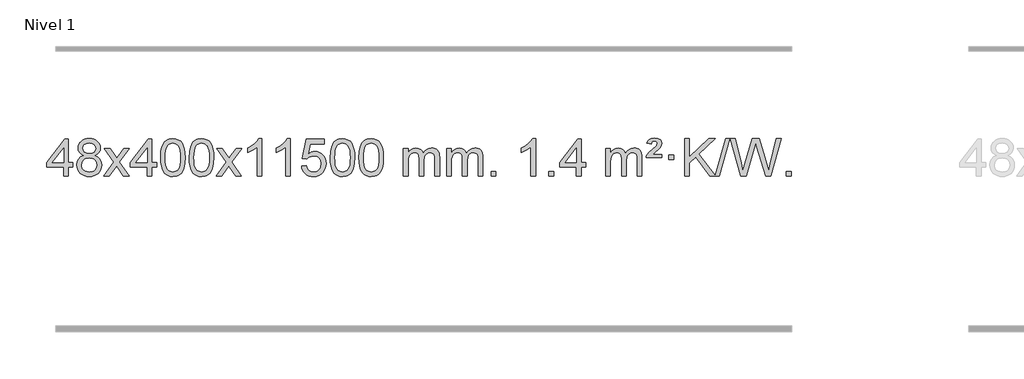
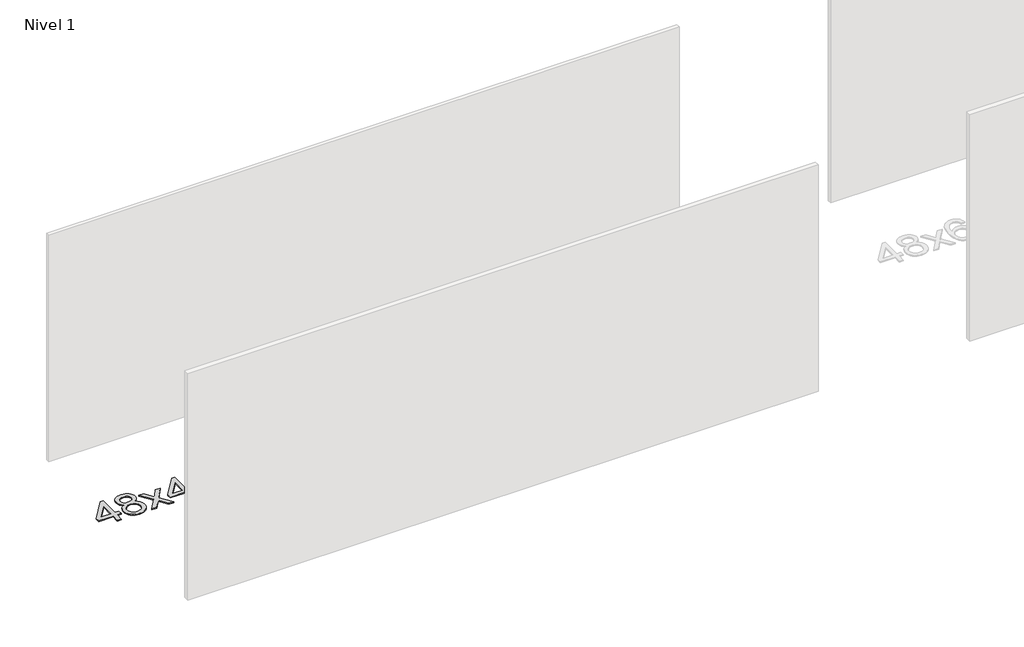
# One storey, part 4 of 10: 1 proxy.
"""IFC4 building model written with IfcOpenShell, lengths in millimetres."""

from ifc_helpers import new_model, si_unit, origin, origin_with_axes, place, context, project, spatial, polyline, outline, extrude, element, save

model = new_model("IFC4")

# Units and contexts
model_context = context("Model", 3, world=origin())
ifc_project = project(units=[si_unit("LENGTHUNIT", "METRE", prefix="MILLI")], contexts=[model_context])

# Site, building, storey
site = spatial("IfcSite", under=ifc_project)
building = spatial("IfcBuilding", under=site)
storey = spatial("IfcBuildingStorey", under=building, Name="Nivel 1", Elevation=0.0)

# Proxy
placement = place(None, origin())
element("IfcBuildingElementProxy", 1, Name="Texto de modelo 1", ObjectType="Texto de modelo 1", at=placement, inside=storey, context=model_context, shape_type="SweptSolid", body=[
    extrude(outline(polyline([(-11546.7519314, -391.579453), (-11546.7519314, -297.4016622), (-11728.8289935, -297.4016622), (-11728.8289935, -247.1735072), (-11534.1948926, 3.9672682), (-11496.5237763, 3.9672682), (-11496.5237763, -247.1735072), (-11446.2956212, -247.1735072), (-11446.2956212, -297.4016622), (-11496.5237763, -297.4016622), (-11496.5237763, -391.579453), (-11546.7519314, -391.579453)]), holes=[polyline([(-11546.7519314, -247.1735072), (-11546.7519314, -91.9763561), (-11667.0248183, -247.1735072), (-11546.7519314, -247.1735072)])]), origin_with_axes(), (0.0, 0.0, 1.0), 10.0),
    extrude(outline(polyline([(-11329.161994, -170.2616447), (-11356.0541678, -157.0178929), (-11374.9265142, -139.0652515), (-11386.0733386, -116.7716026), (-11389.7889468, -90.5048281), (-11387.7655958, -70.0199324), (-11381.6955429, -51.2395565), (-11371.578788, -34.1637006), (-11357.4153312, -18.7923645), (-11339.8857541, -6.088173), (-11319.6706385, 2.9862496), (-11296.7699843, 8.4309031), (-11271.1837915, 10.2457876), (-11245.4749714, 8.3879835), (-11222.402639, 2.8145713), (-11201.9667941, -6.4744491), (-11184.1674369, -19.4790776), (-11169.7464627, -35.1508506), (-11159.4457669, -52.4413044), (-11153.2653493, -71.3504389), (-11151.2052102, -91.8782543), (-11154.8717674, -117.2989001), (-11165.871439, -139.2124043), (-11184.3268525, -157.0546811), (-11210.360635, -170.2616447), (-11179.4462847, -186.1909351), (-11156.9441693, -209.6495436), (-11143.2221709, -239.5092989), (-11138.6481714, -274.6420295), (-11140.916777, -299.6947933), (-11147.722594, -322.6628926), (-11159.0656221, -343.5463272), (-11174.9458616, -362.3450971), (-11194.5294465, -377.88198), (-11216.9825109, -388.9797536), (-11242.3050549, -395.6384177), (-11270.4970785, -397.8579724), (-11298.689102, -395.6292206), (-11324.011646, -388.9429654), (-11346.4647105, -377.7992066), (-11366.0482954, -362.1979443), (-11381.9285348, -343.26735), (-11393.271563, -322.135595), (-11400.0773799, -298.8026795), (-11402.3459855, -273.2686033), (-11397.5880451, -236.7747094), (-11383.3142237, -206.7555386), (-11360.2602853, -184.2411605), (-11329.161994, -170.2616447)]), holes=[polyline([(-11339.5607917, -91.9763561), (-11335.1094196, -113.902123), (-11321.7553031, -131.413306), (-11299.8908499, -142.8912243), (-11269.9084673, -146.717197), (-11240.6250605, -142.9157497), (-11219.091701, -131.5114079), (-11205.8479492, -114.5888361), (-11201.4333652, -94.232699), (-11205.995102, -73.1040098), (-11219.6803122, -55.629615), (-11241.5079773, -43.8941794), (-11270.4970785, -39.9823675), (-11299.6701207, -43.8083402), (-11321.4609975, -55.2862585), (-11335.0358432, -72.1107284), (-11339.5607917, -91.9763561)]), polyline([(-11352.1178305, -271.5027698), (-11350.0209031, -290.7184726), (-11343.730121, -309.3210389), (-11332.1173127, -325.5446349), (-11314.0543067, -337.623427), (-11292.4228454, -345.1282197), (-11270.104671, -347.6298173), (-11235.9161709, -342.3691048), (-11222.0224942, -335.7932141), (-11210.2625331, -326.5869672), (-11194.2228781, -302.6869002), (-11188.8763265, -273.0723996), (-11194.3945564, -242.9551269), (-11210.9492462, -218.5277625), (-11223.0280384, -209.0854579), (-11237.1914952, -202.3409547), (-11271.7724027, -196.9453521), (-11305.4826562, -202.2673783), (-11319.2199831, -208.919911), (-11330.8787766, -218.2334569), (-11346.808067, -242.1948375), (-11352.1178305, -271.5027698)])]), origin_with_axes(), (0.0, 0.0, 1.0), 10.0),
    extrude(outline(polyline([(-11113.5340939, -391.579453), (-11006.2106531, -243.2494325), (-11107.2555745, -96.4890419), (-11046.8248254, -96.4890419), (-10998.0681983, -167.122385), (-10975.3085655, -200.4770192), (-10955.5900906, -173.2047007), (-10900.0644348, -96.4890419), (-10839.6336857, -96.4890419), (-10945.7799041, -243.2494325), (-10843.5577603, -391.579453), (-10903.9885094, -391.579453), (-10965.498379, -302.4048574), (-10976.7800935, -286.1199477), (-11053.1033448, -391.579453), (-11113.5340939, -391.579453)])), origin_with_axes(), (0.0, 0.0, 1.0), 10.0),
    extrude(outline(polyline([(-10648.9236594, -391.579453), (-10648.9236594, -297.4016622), (-10831.0007216, -297.4016622), (-10831.0007216, -247.1735072), (-10636.3666207, 3.9672682), (-10598.6955043, 3.9672682), (-10598.6955043, -247.1735072), (-10548.4673493, -247.1735072), (-10548.4673493, -297.4016622), (-10598.6955043, -297.4016622), (-10598.6955043, -391.579453), (-10648.9236594, -391.579453)]), holes=[polyline([(-10648.9236594, -247.1735072), (-10648.9236594, -91.9763561), (-10769.1965464, -247.1735072), (-10648.9236594, -247.1735072)])]), origin_with_axes(), (0.0, 0.0, 1.0), 10.0),
    extrude(outline(polyline([(-10504.5177136, -193.9041943), (-10500.8266309, -129.5861588), (-10489.7533828, -78.2911459), (-10471.408334, -39.2343407), (-10459.550271, -24.0009605), (-10445.901849, -11.6309284), (-10430.4170827, -2.0598651), (-10413.0499869, 4.7766086), (-10372.6688065, 10.2457876), (-10341.717668, 7.008426), (-10314.003891, -2.7036586), (-10290.8273253, -18.5103217), (-10273.4878206, -40.0314184), (-10260.3912216, -67.0830078), (-10249.9433729, -99.4811488), (-10243.1007678, -140.6226186), (-10240.8198994, -193.9041943), (-10244.4741939, -257.8543477), (-10255.4370774, -309.0267333), (-10273.6717616, -348.1203266), (-10285.5022334, -363.3996922), (-10299.1414584, -375.8341036), (-10314.6446188, -385.4695462), (-10332.066897, -392.3520052), (-10372.6688065, -397.8579724), (-10400.3335326, -395.4667394), (-10424.8589989, -388.2930405), (-10446.2452055, -376.3368757), (-10464.4921525, -359.5982449), (-10482.0033355, -329.3399508), (-10494.5113233, -291.6381776), (-10502.016116, -246.4929255), (-10504.5177136, -193.9041943)]), holes=[polyline([(-10454.2895585, -193.8060924), (-10452.8180305, -237.4706195), (-10448.4034466, -272.8148822), (-10441.0458067, -299.8388804), (-10430.7451108, -318.5426142), (-10418.2861739, -331.2682656), (-10404.4538109, -340.3580165), (-10389.2480218, -345.8118671), (-10372.6688065, -347.6298173), (-10356.0895913, -345.8057357), (-10340.8838021, -340.3334911), (-10327.0514391, -331.2130833), (-10314.5925022, -318.4445124), (-10304.2918063, -299.7101217), (-10296.9341664, -272.6922549), (-10292.5195825, -237.3909118), (-10291.0480545, -193.8060924), (-10292.4705316, -151.2973278), (-10296.7379627, -116.5753989), (-10303.8503479, -89.6403055), (-10313.8076873, -70.4920476), (-10326.0581577, -57.1440625), (-10340.0499363, -47.6097875), (-10355.7830229, -41.8892225), (-10373.2574177, -39.9823675), (-10389.7507938, -41.6623619), (-10404.6990656, -46.7023452), (-10418.1022329, -55.1023175), (-10429.9602959, -66.8622786), (-10440.6043483, -87.708925), (-10448.2072429, -115.8151094), (-10452.7689796, -151.1808319), (-10454.2895585, -193.8060924)])]), origin_with_axes(), (0.0, 0.0, 1.0), 10.0),
    extrude(outline(polyline([(-10196.8702638, -193.9041943), (-10193.1791811, -129.5861588), (-10182.105933, -78.2911459), (-10163.7608842, -39.2343407), (-10151.9028212, -24.0009605), (-10138.2543992, -11.6309284), (-10122.7696329, -2.0598651), (-10105.402537, 4.7766086), (-10065.0213567, 10.2457876), (-10034.0702182, 7.008426), (-10006.3564412, -2.7036586), (-9983.1798755, -18.5103217), (-9965.8403708, -40.0314184), (-9952.7437718, -67.0830078), (-9942.2959231, -99.4811488), (-9935.453318, -140.6226186), (-9933.1724496, -193.9041943), (-9936.8267441, -257.8543477), (-9947.7896275, -309.0267333), (-9966.0243118, -348.1203266), (-9977.8547836, -363.3996922), (-9991.4940086, -375.8341036), (-10006.997169, -385.4695462), (-10024.4194471, -392.3520052), (-10065.0213567, -397.8579724), (-10092.6860827, -395.4667394), (-10117.2115491, -388.2930405), (-10138.5977557, -376.3368757), (-10156.8447027, -359.5982449), (-10174.3558856, -329.3399508), (-10186.8638735, -291.6381776), (-10194.3686662, -246.4929255), (-10196.8702638, -193.9041943)]), holes=[polyline([(-10146.6421087, -193.8060924), (-10145.1705807, -237.4706195), (-10140.7559968, -272.8148822), (-10133.3983568, -299.8388804), (-10123.097661, -318.5426142), (-10110.6387241, -331.2682656), (-10096.8063611, -340.3580165), (-10081.6005719, -345.8118671), (-10065.0213567, -347.6298173), (-10048.4421414, -345.8057357), (-10033.2363523, -340.3334911), (-10019.4039893, -331.2130833), (-10006.9450524, -318.4445124), (-9996.6443565, -299.7101217), (-9989.2867166, -272.6922549), (-9984.8721327, -237.3909118), (-9983.4006047, -193.8060924), (-9984.8230817, -151.2973278), (-9989.0905129, -116.5753989), (-9996.2028981, -89.6403055), (-10006.1602375, -70.4920476), (-10018.4107079, -57.1440625), (-10032.4024864, -47.6097875), (-10048.1355731, -41.8892225), (-10065.6099679, -39.9823675), (-10082.103344, -41.6623619), (-10097.0516157, -46.7023452), (-10110.4547831, -55.1023175), (-10122.3128461, -66.8622786), (-10132.9568985, -87.708925), (-10140.559793, -115.8151094), (-10145.1215298, -151.1808319), (-10146.6421087, -193.8060924)])]), origin_with_axes(), (0.0, 0.0, 1.0), 10.0),
    extrude(outline(polyline([(-9908.0583721, -391.579453), (-9800.7349313, -243.2494325), (-9901.7798527, -96.4890419), (-9841.3491036, -96.4890419), (-9792.5924765, -167.122385), (-9769.8328437, -200.4770192), (-9750.1143688, -173.2047007), (-9694.588713, -96.4890419), (-9634.1579639, -96.4890419), (-9740.3041823, -243.2494325), (-9638.0820385, -391.579453), (-9698.5127876, -391.579453), (-9760.0226572, -302.4048574), (-9771.3043717, -286.1199477), (-9847.627623, -391.579453), (-9908.0583721, -391.579453)])), origin_with_axes(), (0.0, 0.0, 1.0), 10.0),
    extrude(outline(polyline([(-9418.3338601, -391.579453), (-9468.5620152, -391.579453), (-9468.5620152, -78.4382987), (-9489.5312889, -95.3976587), (-9516.1414199, -112.3324932), (-9569.0183253, -137.6918254), (-9569.0183253, -90.2105225), (-9529.5691127, -68.7507395), (-9495.3928753, -43.219729), (-9468.4516506, -16.0700378), (-9450.7074757, 10.2457876), (-9418.3338601, 10.2457876), (-9418.3338601, -391.579453)])), origin_with_axes(), (0.0, 0.0, 1.0), 10.0),
    extrude(outline(polyline([(-9110.6864103, -391.579453), (-9160.9145653, -391.579453), (-9160.9145653, -78.4382987), (-9181.8838391, -95.3976587), (-9208.49397, -112.3324932), (-9261.3708755, -137.6918254), (-9261.3708755, -90.2105225), (-9221.9216629, -68.7507395), (-9187.7454255, -43.219729), (-9160.8042007, -16.0700378), (-9143.0600258, 10.2457876), (-9110.6864103, 10.2457876), (-9110.6864103, -391.579453)])), origin_with_axes(), (0.0, 0.0, 1.0), 10.0),
    extrude(outline(polyline([(-8991.394542, -284.8446235), (-8941.1663869, -278.5661041), (-8931.9448115, -308.7201649), (-8915.8561056, -330.3148381), (-8892.9738455, -343.3010725), (-8863.3716076, -347.6298173), (-8844.2417439, -346.1245668), (-8827.368223, -341.6088153), (-8812.7510451, -334.0825628), (-8800.3902101, -323.5458094), (-8790.5616294, -310.519721), (-8783.5412147, -295.5254641), (-8777.9248829, -259.6324441), (-8783.1855954, -225.8363514), (-8789.7614861, -211.9181493), (-8798.967733, -199.9865099), (-8810.834993, -190.4154467), (-8825.393923, -183.5789729), (-8862.5867927, -178.1097939), (-8886.9528435, -180.2925604), (-8906.6835812, -186.8408599), (-8922.4411933, -196.8717757), (-8934.8878675, -209.5023908), (-8985.1160226, -203.2238715), (-8941.1663869, 3.9672682), (-8746.532286, 3.9672682), (-8746.532286, -46.2608869), (-8900.5522146, -46.2608869), (-8922.0365231, -156.919791), (-8904.3107423, -144.2155994), (-8886.1557659, -135.1411769), (-8867.5715937, -129.6965234), (-8848.558226, -127.8816388), (-8824.097139, -130.1318504), (-8801.6287461, -136.882485), (-8781.1530474, -148.1335427), (-8762.6700428, -163.8850234), (-8747.3692175, -183.1743027), (-8736.4400566, -205.038756), (-8729.88256, -229.4783832), (-8727.6967278, -256.4931844), (-8729.6648965, -282.5147042), (-8735.5694025, -306.7213394), (-8745.4102459, -329.1130902), (-8759.1874266, -349.6899565), (-8780.0585985, -370.7634634), (-8804.4123865, -385.8159684), (-8832.2487908, -394.8474714), (-8863.5678114, -397.8579724), (-8889.4881636, -395.9235262), (-8912.9007869, -390.1201877), (-8933.8056813, -380.447957), (-8952.2028467, -366.9068338), (-8967.5098034, -350.1712688), (-8979.1440715, -330.915712), (-8987.105651, -309.1401636), (-8991.394542, -284.8446235)])), origin_with_axes(), (0.0, 0.0, 1.0), 10.0),
    extrude(outline(polyline([(-8683.7470921, -193.9041943), (-8680.0560094, -129.5861588), (-8668.9827614, -78.2911459), (-8650.6377126, -39.2343407), (-8638.7796496, -24.0009605), (-8625.1312276, -11.6309284), (-8609.6464612, -2.0598651), (-8592.2793654, 4.7766086), (-8551.8981851, 10.2457876), (-8520.9470465, 7.008426), (-8493.2332696, -2.7036586), (-8470.0567039, -18.5103217), (-8452.7171992, -40.0314184), (-8439.6206001, -67.0830078), (-8429.1727515, -99.4811488), (-8422.3301463, -140.6226186), (-8420.049278, -193.9041943), (-8423.7035725, -257.8543477), (-8434.6664559, -309.0267333), (-8452.9011401, -348.1203266), (-8464.731612, -363.3996922), (-8478.3708369, -375.8341036), (-8493.8739974, -385.4695462), (-8511.2962755, -392.3520052), (-8551.8981851, -397.8579724), (-8579.5629111, -395.4667394), (-8604.0883774, -388.2930405), (-8625.4745841, -376.3368757), (-8643.721531, -359.5982449), (-8661.232714, -329.3399508), (-8673.7407019, -291.6381776), (-8681.2454946, -246.4929255), (-8683.7470921, -193.9041943)]), holes=[polyline([(-8633.518937, -193.8060924), (-8632.0474091, -237.4706195), (-8627.6328251, -272.8148822), (-8620.2751852, -299.8388804), (-8609.9744894, -318.5426142), (-8597.5155525, -331.2682656), (-8583.6831894, -340.3580165), (-8568.4774003, -345.8118671), (-8551.8981851, -347.6298173), (-8535.3189698, -345.8057357), (-8520.1131807, -340.3334911), (-8506.2808176, -331.2130833), (-8493.8218807, -318.4445124), (-8483.5211849, -299.7101217), (-8476.163545, -272.6922549), (-8471.748961, -237.3909118), (-8470.2774331, -193.8060924), (-8471.6999101, -151.2973278), (-8475.9673412, -116.5753989), (-8483.0797265, -89.6403055), (-8493.0370658, -70.4920476), (-8505.2875363, -57.1440625), (-8519.2793148, -47.6097875), (-8535.0124015, -41.8892225), (-8552.4867962, -39.9823675), (-8568.9801724, -41.6623619), (-8583.9284441, -46.7023452), (-8597.3316115, -55.1023175), (-8609.1896744, -66.8622786), (-8619.8337268, -87.708925), (-8627.4366214, -115.8151094), (-8631.9983581, -151.1808319), (-8633.518937, -193.8060924)])]), origin_with_axes(), (0.0, 0.0, 1.0), 10.0),
    extrude(outline(polyline([(-8376.0996423, -193.9041943), (-8372.4085596, -129.5861588), (-8361.3353115, -78.2911459), (-8342.9902627, -39.2343407), (-8331.1321997, -24.0009605), (-8317.4837777, -11.6309284), (-8301.9990114, -2.0598651), (-8284.6319156, 4.7766086), (-8244.2507352, 10.2457876), (-8213.2995967, 7.008426), (-8185.5858197, -2.7036586), (-8162.409254, -18.5103217), (-8145.0697493, -40.0314184), (-8131.9731503, -67.0830078), (-8121.5253016, -99.4811488), (-8114.6826965, -140.6226186), (-8112.4018281, -193.9041943), (-8116.0561226, -257.8543477), (-8127.0190061, -309.0267333), (-8145.2536903, -348.1203266), (-8157.0841621, -363.3996922), (-8170.7233871, -375.8341036), (-8186.2265475, -385.4695462), (-8203.6488257, -392.3520052), (-8244.2507352, -397.8579724), (-8271.9154613, -395.4667394), (-8296.4409276, -388.2930405), (-8317.8271343, -376.3368757), (-8336.0740812, -359.5982449), (-8353.5852642, -329.3399508), (-8366.093252, -291.6381776), (-8373.5980447, -246.4929255), (-8376.0996423, -193.9041943)]), holes=[polyline([(-8325.8714872, -193.8060924), (-8324.3999592, -237.4706195), (-8319.9853753, -272.8148822), (-8312.6277354, -299.8388804), (-8302.3270395, -318.5426142), (-8289.8681026, -331.2682656), (-8276.0357396, -340.3580165), (-8260.8299505, -345.8118671), (-8244.2507352, -347.6298173), (-8227.67152, -345.8057357), (-8212.4657308, -340.3334911), (-8198.6333678, -331.2130833), (-8186.1744309, -318.4445124), (-8175.873735, -299.7101217), (-8168.5160951, -272.6922549), (-8164.1015112, -237.3909118), (-8162.6299832, -193.8060924), (-8164.0524603, -151.2973278), (-8168.3198914, -116.5753989), (-8175.4322767, -89.6403055), (-8185.389616, -70.4920476), (-8197.6400864, -57.1440625), (-8211.631865, -47.6097875), (-8227.3649516, -41.8892225), (-8244.8393464, -39.9823675), (-8261.3327225, -41.6623619), (-8276.2809943, -46.7023452), (-8289.6841616, -55.1023175), (-8301.5422246, -66.8622786), (-8312.186277, -87.708925), (-8319.7891716, -115.8151094), (-8324.3509083, -151.1808319), (-8325.8714872, -193.8060924)])]), origin_with_axes(), (0.0, 0.0, 1.0), 10.0),
    extrude(outline(polyline([(-7898.9321691, -391.579453), (-7898.9321691, -96.4890419), (-7848.704014, -96.4890419), (-7848.704014, -145.0494653), (-7833.5963267, -122.7435537), (-7814.1721574, -105.2691589), (-7791.0936936, -93.9751816), (-7765.0231228, -90.2105225), (-7737.0886167, -94.048758), (-7714.6968659, -105.5634645), (-7697.9704978, -123.9943524), (-7687.0321399, -148.5811324), (-7668.7238792, -123.0439906), (-7647.8404446, -104.803175), (-7624.3818361, -93.8586857), (-7598.3480536, -90.2105225), (-7578.2402368, -91.7280358), (-7560.5910981, -96.2805755), (-7545.4006374, -103.8681416), (-7532.6688547, -114.4907342), (-7522.6042164, -128.2709806), (-7515.4151891, -145.3315082), (-7511.1017727, -165.6723168), (-7509.6639672, -189.2934066), (-7509.6639672, -391.579453), (-7559.8921223, -391.579453), (-7559.8921223, -210.875817), (-7561.057082, -185.8230531), (-7564.5519609, -168.9372695), (-7571.1002604, -157.3735121), (-7581.4254818, -148.2868268), (-7594.7060218, -142.4007149), (-7610.1202774, -140.4386776), (-7637.3312823, -145.4663982), (-7659.5145666, -160.54956), (-7668.1199396, -172.1194488), (-7674.2666346, -186.7182326), (-7679.1839906, -225.0024856), (-7679.1839906, -391.579453), (-7729.4121457, -391.579453), (-7729.4121457, -205.2840106), (-7732.3184135, -176.8835206), (-7741.0372167, -156.6254854), (-7756.3778959, -144.4853796), (-7779.1497914, -140.4386776), (-7798.5003844, -143.1364789), (-7816.3303984, -151.2298828), (-7831.0456782, -164.5226856), (-7841.0520685, -182.8186835), (-7846.7910276, -208.2025411), (-7848.704014, -242.7589232), (-7848.704014, -391.579453), (-7898.9321691, -391.579453)])), origin_with_axes(), (0.0, 0.0, 1.0), 10.0),
    extrude(outline(polyline([(-7434.3217346, -391.579453), (-7434.3217346, -96.4890419), (-7384.0935796, -96.4890419), (-7384.0935796, -145.0494653), (-7368.9858923, -122.7435537), (-7349.5617229, -105.2691589), (-7326.4832591, -93.9751816), (-7300.4126884, -90.2105225), (-7272.4781822, -94.048758), (-7250.0864315, -105.5634645), (-7233.3600634, -123.9943524), (-7222.4217054, -148.5811324), (-7204.1134448, -123.0439906), (-7183.2300102, -104.803175), (-7159.7714016, -93.8586857), (-7133.7376191, -90.2105225), (-7113.6298024, -91.7280358), (-7095.9806637, -96.2805755), (-7080.790203, -103.8681416), (-7068.0584202, -114.4907342), (-7057.993782, -128.2709806), (-7050.8047547, -145.3315082), (-7046.4913383, -165.6723168), (-7045.0535328, -189.2934066), (-7045.0535328, -391.579453), (-7095.2816879, -391.579453), (-7095.2816879, -210.875817), (-7096.4466475, -185.8230531), (-7099.9415265, -168.9372695), (-7106.489826, -157.3735121), (-7116.8150473, -148.2868268), (-7130.0955874, -142.4007149), (-7145.509843, -140.4386776), (-7172.7208479, -145.4663982), (-7194.9041322, -160.54956), (-7203.5095052, -172.1194488), (-7209.6562002, -186.7182326), (-7214.5735562, -225.0024856), (-7214.5735562, -391.579453), (-7264.8017113, -391.579453), (-7264.8017113, -205.2840106), (-7267.707979, -176.8835206), (-7276.4267823, -156.6254854), (-7291.7674615, -144.4853796), (-7314.539357, -140.4386776), (-7333.88995, -143.1364789), (-7351.719964, -151.2298828), (-7366.4352438, -164.5226856), (-7376.4416341, -182.8186835), (-7382.1805932, -208.2025411), (-7384.0935796, -242.7589232), (-7384.0935796, -391.579453), (-7434.3217346, -391.579453)])), origin_with_axes(), (0.0, 0.0, 1.0), 10.0),
    extrude(outline(polyline([(-6957.1542614, -391.579453), (-6957.1542614, -341.3512979), (-6906.9261064, -341.3512979), (-6906.9261064, -391.579453), (-6957.1542614, -391.579453)])), origin_with_axes(), (0.0, 0.0, 1.0), 10.0),
    extrude(outline(polyline([(-6479.9867882, -391.579453), (-6530.2149433, -391.579453), (-6530.2149433, -78.4382987), (-6551.184217, -95.3976587), (-6577.794348, -112.3324932), (-6630.6712534, -137.6918254), (-6630.6712534, -90.2105225), (-6591.2220408, -68.7507395), (-6557.0458035, -43.219729), (-6530.1045787, -16.0700378), (-6512.3604038, 10.2457876), (-6479.9867882, 10.2457876), (-6479.9867882, -391.579453)])), origin_with_axes(), (0.0, 0.0, 1.0), 10.0),
    extrude(outline(polyline([(-6335.5808424, -391.579453), (-6335.5808424, -341.3512979), (-6285.3526873, -341.3512979), (-6285.3526873, -391.579453), (-6335.5808424, -391.579453)])), origin_with_axes(), (0.0, 0.0, 1.0), 10.0),
    extrude(outline(polyline([(-6040.4904313, -391.579453), (-6040.4904313, -297.4016622), (-6222.5674935, -297.4016622), (-6222.5674935, -247.1735072), (-6027.9333925, 3.9672682), (-5990.2622762, 3.9672682), (-5990.2622762, -247.1735072), (-5940.0341212, -247.1735072), (-5940.0341212, -297.4016622), (-5990.2622762, -297.4016622), (-5990.2622762, -391.579453), (-6040.4904313, -391.579453)]), holes=[polyline([(-6040.4904313, -247.1735072), (-6040.4904313, -91.9763561), (-6160.7633183, -247.1735072), (-6040.4904313, -247.1735072)])]), origin_with_axes(), (0.0, 0.0, 1.0), 10.0),
    extrude(outline(polyline([(-5726.5644621, -391.579453), (-5726.5644621, -96.4890419), (-5676.336307, -96.4890419), (-5676.336307, -145.0494653), (-5661.2286197, -122.7435537), (-5641.8044504, -105.2691589), (-5618.7259866, -93.9751816), (-5592.6554158, -90.2105225), (-5564.7209097, -94.048758), (-5542.3291589, -105.5634645), (-5525.6027909, -123.9943524), (-5514.6644329, -148.5811324), (-5496.3561722, -123.0439906), (-5475.4727377, -104.803175), (-5452.0141291, -93.8586857), (-5425.9803466, -90.2105225), (-5405.8725298, -91.7280358), (-5388.2233911, -96.2805755), (-5373.0329304, -103.8681416), (-5360.3011477, -114.4907342), (-5350.2365094, -128.2709806), (-5343.0474821, -145.3315082), (-5338.7340657, -165.6723168), (-5337.2962603, -189.2934066), (-5337.2962603, -391.579453), (-5387.5244153, -391.579453), (-5387.5244153, -210.875817), (-5388.689375, -185.8230531), (-5392.1842539, -168.9372695), (-5398.7325535, -157.3735121), (-5409.0577748, -148.2868268), (-5422.3383148, -142.4007149), (-5437.7525704, -140.4386776), (-5464.9635753, -145.4663982), (-5487.1468596, -160.54956), (-5495.7522326, -172.1194488), (-5501.8989276, -186.7182326), (-5506.8162836, -225.0024856), (-5506.8162836, -391.579453), (-5557.0444387, -391.579453), (-5557.0444387, -205.2840106), (-5559.9507065, -176.8835206), (-5568.6695098, -156.6254854), (-5584.010189, -144.4853796), (-5606.7820845, -140.4386776), (-5626.1326774, -143.1364789), (-5643.9626914, -151.2298828), (-5658.6779713, -164.5226856), (-5668.6843615, -182.8186835), (-5674.4233206, -208.2025411), (-5676.336307, -242.7589232), (-5676.336307, -391.579453), (-5726.5644621, -391.579453)])), origin_with_axes(), (0.0, 0.0, 1.0), 10.0),
    extrude(outline(polyline([(-5293.3466246, -190.6668327), (-5289.5206518, -174.8479069), (-5281.1819933, -158.9799302), (-5259.6731593, -133.8413272), (-5227.7164766, -106.1030247), (-5183.5706372, -68.726214), (-5176.4337265, -57.1992448), (-5174.0547563, -45.3779701), (-5175.9432172, -33.2869152), (-5181.6085999, -23.5012541), (-5190.977328, -17.026531), (-5203.9758252, -14.8682899), (-5216.4102366, -16.4869707), (-5225.26393, -21.343013), (-5231.6896022, -30.8098431), (-5236.8399501, -46.2608869), (-5287.0681052, -39.9823675), (-5276.2278491, -14.7701881), (-5259.5995829, 2.7900458), (-5235.834406, 13.0907417), (-5203.5834178, 16.524307), (-5167.8007624, 12.3917659), (-5143.0545668, -0.0058573), (-5128.6335926, -18.3386434), (-5123.8266012, -40.2766731), (-5127.9223541, -63.1834586), (-5140.2096127, -84.8149199), (-5160.737428, -104.6314968), (-5197.2067965, -132.6886303), (-5222.8113834, -159.2742358), (-5123.8266012, -159.2742358), (-5123.8266012, -190.6668327), (-5293.3466246, -190.6668327)])), origin_with_axes(), (0.0, 0.0, 1.0), 10.0),
    extrude(outline(polyline([(-5048.4843686, -215.7809102), (-5048.4843686, -165.5527552), (-4998.2562135, -165.5527552), (-4998.2562135, -215.7809102), (-5048.4843686, -215.7809102)])), origin_with_axes(), (0.0, 0.0, 1.0), 10.0),
    extrude(outline(polyline([(-4607.6145856, -391.579453), (-4761.045903, -188.9009991), (-4828.7361901, -253.4520265), (-4828.7361901, -391.579453), (-4878.9643452, -391.579453), (-4878.9643452, 10.2457876), (-4828.7361901, 10.2457876), (-4828.7361901, -186.4484525), (-4622.7222728, 10.2457876), (-4552.4813372, 10.2457876), (-4725.4349259, -154.9577537), (-4550.781316, -385.5349332), (-4439.4679883, 10.2457876), (-4394.1449265, 10.2457876), (-4507.1582754, -391.579453), (-4546.2028178, -391.579453), (-4552.4813372, -391.579453), (-4607.6145856, -391.579453)])), origin_with_axes(), (0.0, 0.0, 1.0), 10.0),
    extrude(outline(polyline([(-4279.6600496, -391.579453), (-4389.2398332, 10.2457876), (-4337.4420483, 10.2457876), (-4273.8720395, -253.844434), (-4254.2516665, -335.3670841), (-4233.2578673, -263.2622131), (-4153.5991526, 10.2457876), (-4078.943633, 10.2457876), (-4021.0635325, -188.0180823), (-3996.268286, -261.5944814), (-3977.9968136, -335.3670841), (-3958.9650517, -256.1988788), (-3894.8064317, 10.2457876), (-3843.0086468, 10.2457876), (-3952.6865323, -391.579453), (-4006.3482526, -391.579453), (-4102.6842845, -81.5775584), (-4116.12424, -38.3146358), (-4131.2319273, -90.4067263), (-4219.0330968, -391.579453), (-4279.6600496, -391.579453)])), origin_with_axes(), (0.0, 0.0, 1.0), 10.0),
    extrude(outline(polyline([(-3786.5019723, -391.579453), (-3786.5019723, -341.3512979), (-3736.2738173, -341.3512979), (-3736.2738173, -391.579453), (-3786.5019723, -391.579453)])), origin_with_axes(), (0.0, 0.0, 1.0), 10.0),
])

save(model, "model.ifc")
